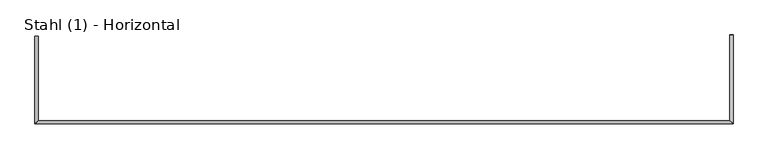
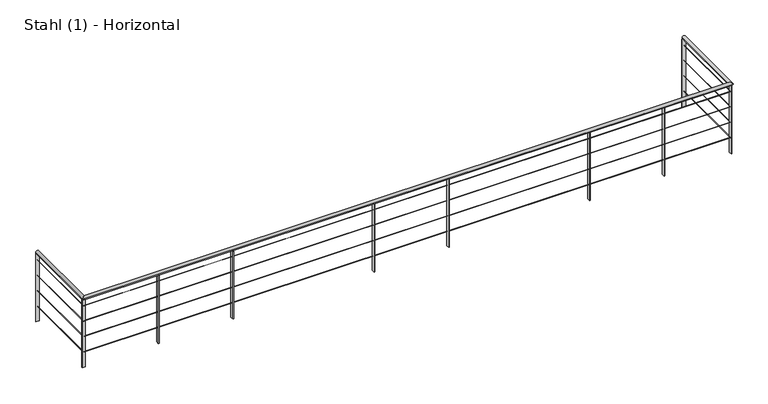
"""IFC4 building model written with IfcOpenShell, lengths in millimetres: railing geometry, Stahl (1) - Horizontal."""

from ifc_helpers import new_model, si_unit, frame, origin, place, context, project, spatial, polyline, circle_curve, ellipse_curve, outline, extrude, source, transform, mapped, element, save
from ifc_brep_helpers import plane_surface, cylinder_surface, advanced_brep


def stahl_1_horizontal_09ef8e6e(model_context):
    return source(origin(), model_context, "Body", "SolidModel", [
        advanced_brep(
        [(-2417.5285499, 4865.5303268, 4700.0), (-2377.5285499, 4865.5303268, 4700.0), (-2377.5285499, 3902.1677405, 4700.0), (-2417.5285499, 3862.1677405, 4700.0), (5540.3386135, 3902.1677405, 4700.0), (5580.3386135, 3862.1677405, 4700.0), (5580.3386135, 4878.6677406, 4700.0), (5540.3386135, 4878.6677406, 4700.0)],
        [
            (0, 1, circle_curve(frame((-2397.5285499, 4865.5303268, 4700.0), z_axis=(0.0, 1.0, 0.0), x_axis=(1.0, 0.0, 0.0)), 20.0)),
            (1, 0, circle_curve(frame((-2397.5285499, 4865.5303268, 4700.0), z_axis=(0.0, 1.0, 0.0), x_axis=(1.0, 0.0, 0.0)), 20.0)),
            (1, 2),
            (2, 3, ellipse_curve(frame((-2397.5285499, 3882.1677405, 4700.0), z_axis=(-0.7071067811865487, 0.7071067811865462, 0.0), x_axis=(0.7071067811865461, 0.7071067811865488, 0.0)), 28.2842712, 20.0)),
            (3, 0),
            (3, 2, ellipse_curve(frame((-2397.5285499, 3882.1677405, 4700.0), z_axis=(-0.7071067811865487, 0.7071067811865462, 0.0), x_axis=(0.7071067811865461, 0.7071067811865488, 0.0)), 28.2842712, 20.0)),
            (2, 4),
            (4, 5, ellipse_curve(frame((5560.3386135, 3882.1677405, 4700.0), z_axis=(-0.7071067811865462, -0.7071067811865487, 0.0), x_axis=(-0.7071067811865488, 0.7071067811865461, 0.0)), 28.2842712, 20.0)),
            (5, 3),
            (5, 4, ellipse_curve(frame((5560.3386135, 3882.1677405, 4700.0), z_axis=(-0.7071067811865462, -0.7071067811865487, 0.0), x_axis=(-0.7071067811865488, 0.7071067811865461, 0.0)), 28.2842712, 20.0)),
            (6, 7, circle_curve(frame((5560.3386135, 4878.6677406, 4700.0), z_axis=(0.0, 1.0, 0.0), x_axis=(-1.0, 0.0, 0.0)), 20.0)),
            (7, 6, circle_curve(frame((5560.3386135, 4878.6677406, 4700.0), z_axis=(0.0, 1.0, 0.0), x_axis=(-1.0, 0.0, 0.0)), 20.0)),
            (4, 7),
            (6, 5),
        ],
        [
            plane_surface(frame((-2397.5285499, 4865.5303268, 4720.0), z_axis=(0.0, 1.0, 0.0), x_axis=(0.0, 0.0, -1.0))),
            cylinder_surface(frame((-2397.5285499, 4865.5303268, 4700.0), z_axis=(0.0, 1.0, 0.0), x_axis=(1.0, 0.0, 0.0)), 20.0),
            cylinder_surface(frame((-2397.5285499, 3882.1677405, 4700.0), z_axis=(-1.0, 0.0, 0.0), x_axis=(0.0, 1.0, 0.0)), 20.0),
            plane_surface(frame((5560.3386135, 4878.6677406, 4720.0), z_axis=(0.0, 1.0, 0.0), x_axis=(0.0, 0.0, 1.0))),
            cylinder_surface(frame((5560.3386135, 3882.1677405, 4700.0), z_axis=(0.0, -1.0, 0.0), x_axis=(-1.0, 0.0, 0.0)), 20.0),
        ],
        [
            (0, [[1, 2]]),
            (1, [[-2, 3, 4, 5]]),
            (1, [[-1, -5, 6, -3]]),
            (2, [[-4, 7, 8, 9]]),
            (2, [[-6, -9, 10, -7]]),
            (3, [[11, 12]]),
            (4, [[-8, 13, -11, 14]]),
            (4, [[-10, -14, -12, -13]]),
        ],
    ),
        advanced_brep(
        [(-2399.0285499, 4865.5303268, 4598.5), (-2396.0285499, 4865.5303268, 4598.5), (-2396.0285499, 3883.6677405, 4598.5), (-2399.0285499, 3880.6677405, 4598.5), (5558.8386135, 3883.6677405, 4598.5), (5561.8386135, 3880.6677405, 4598.5), (5561.8386135, 4878.6677406, 4598.5), (5558.8386135, 4878.6677406, 4598.5)],
        [
            (0, 1, circle_curve(frame((-2397.5285499, 4865.5303268, 4598.5), z_axis=(0.0, 1.0, 0.0), x_axis=(1.0, 0.0, 0.0)), 1.5)),
            (1, 0, circle_curve(frame((-2397.5285499, 4865.5303268, 4598.5), z_axis=(0.0, 1.0, 0.0), x_axis=(1.0, 0.0, 0.0)), 1.5)),
            (1, 2),
            (2, 3, ellipse_curve(frame((-2397.5285499, 3882.1677405, 4598.5), z_axis=(-0.7071067811865487, 0.7071067811865462, 0.0), x_axis=(0.7071067811865461, 0.7071067811865488, 0.0)), 2.1213203, 1.5)),
            (3, 0),
            (3, 2, ellipse_curve(frame((-2397.5285499, 3882.1677405, 4598.5), z_axis=(-0.7071067811865487, 0.7071067811865462, 0.0), x_axis=(0.7071067811865461, 0.7071067811865488, 0.0)), 2.1213203, 1.5)),
            (2, 4),
            (4, 5, ellipse_curve(frame((5560.3386135, 3882.1677405, 4598.5), z_axis=(-0.7071067811865462, -0.7071067811865487, 0.0), x_axis=(-0.7071067811865488, 0.7071067811865461, 0.0)), 2.1213203, 1.5)),
            (5, 3),
            (5, 4, ellipse_curve(frame((5560.3386135, 3882.1677405, 4598.5), z_axis=(-0.7071067811865462, -0.7071067811865487, 0.0), x_axis=(-0.7071067811865488, 0.7071067811865461, 0.0)), 2.1213203, 1.5)),
            (6, 7, circle_curve(frame((5560.3386135, 4878.6677406, 4598.5), z_axis=(0.0, 1.0, 0.0), x_axis=(-1.0, 0.0, 0.0)), 1.5)),
            (7, 6, circle_curve(frame((5560.3386135, 4878.6677406, 4598.5), z_axis=(0.0, 1.0, 0.0), x_axis=(-1.0, 0.0, 0.0)), 1.5)),
            (4, 7),
            (6, 5),
        ],
        [
            plane_surface(frame((-2397.5285499, 4865.5303268, 4600.0), z_axis=(0.0, 1.0, 0.0), x_axis=(0.0, 0.0, -1.0))),
            cylinder_surface(frame((-2397.5285499, 4865.5303268, 4598.5), z_axis=(0.0, 1.0, 0.0), x_axis=(1.0, 0.0, 0.0)), 1.5),
            cylinder_surface(frame((-2397.5285499, 3882.1677405, 4598.5), z_axis=(-1.0, 0.0, 0.0), x_axis=(0.0, 1.0, 0.0)), 1.5),
            plane_surface(frame((5560.3386135, 4878.6677406, 4600.0), z_axis=(0.0, 1.0, 0.0), x_axis=(0.0, 0.0, 1.0))),
            cylinder_surface(frame((5560.3386135, 3882.1677405, 4598.5), z_axis=(0.0, -1.0, 0.0), x_axis=(-1.0, 0.0, 0.0)), 1.5),
        ],
        [
            (0, [[1, 2]]),
            (1, [[-2, 3, 4, 5]]),
            (1, [[-1, -5, 6, -3]]),
            (2, [[-4, 7, 8, 9]]),
            (2, [[-6, -9, 10, -7]]),
            (3, [[11, 12]]),
            (4, [[-8, 13, -11, 14]]),
            (4, [[-10, -14, -12, -13]]),
        ],
    ),
        advanced_brep(
        [(-2399.0285499, 4865.5303268, 4398.5), (-2396.0285499, 4865.5303268, 4398.5), (-2396.0285499, 3883.6677405, 4398.5), (-2399.0285499, 3880.6677405, 4398.5), (5558.8386135, 3883.6677405, 4398.5), (5561.8386135, 3880.6677405, 4398.5), (5561.8386135, 4878.6677406, 4398.5), (5558.8386135, 4878.6677406, 4398.5)],
        [
            (0, 1, circle_curve(frame((-2397.5285499, 4865.5303268, 4398.5), z_axis=(0.0, 1.0, 0.0), x_axis=(1.0, 0.0, 0.0)), 1.5)),
            (1, 0, circle_curve(frame((-2397.5285499, 4865.5303268, 4398.5), z_axis=(0.0, 1.0, 0.0), x_axis=(1.0, 0.0, 0.0)), 1.5)),
            (1, 2),
            (2, 3, ellipse_curve(frame((-2397.5285499, 3882.1677405, 4398.5), z_axis=(-0.7071067811865487, 0.7071067811865462, 0.0), x_axis=(0.7071067811865461, 0.7071067811865488, 0.0)), 2.1213203, 1.5)),
            (3, 0),
            (3, 2, ellipse_curve(frame((-2397.5285499, 3882.1677405, 4398.5), z_axis=(-0.7071067811865487, 0.7071067811865462, 0.0), x_axis=(0.7071067811865461, 0.7071067811865488, 0.0)), 2.1213203, 1.5)),
            (2, 4),
            (4, 5, ellipse_curve(frame((5560.3386135, 3882.1677405, 4398.5), z_axis=(-0.7071067811865462, -0.7071067811865487, 0.0), x_axis=(-0.7071067811865488, 0.7071067811865461, 0.0)), 2.1213203, 1.5)),
            (5, 3),
            (5, 4, ellipse_curve(frame((5560.3386135, 3882.1677405, 4398.5), z_axis=(-0.7071067811865462, -0.7071067811865487, 0.0), x_axis=(-0.7071067811865488, 0.7071067811865461, 0.0)), 2.1213203, 1.5)),
            (6, 7, circle_curve(frame((5560.3386135, 4878.6677406, 4398.5), z_axis=(0.0, 1.0, 0.0), x_axis=(-1.0, 0.0, 0.0)), 1.5)),
            (7, 6, circle_curve(frame((5560.3386135, 4878.6677406, 4398.5), z_axis=(0.0, 1.0, 0.0), x_axis=(-1.0, 0.0, 0.0)), 1.5)),
            (4, 7),
            (6, 5),
        ],
        [
            plane_surface(frame((-2397.5285499, 4865.5303268, 4400.0), z_axis=(0.0, 1.0, 0.0), x_axis=(0.0, 0.0, -1.0))),
            cylinder_surface(frame((-2397.5285499, 4865.5303268, 4398.5), z_axis=(0.0, 1.0, 0.0), x_axis=(1.0, 0.0, 0.0)), 1.5),
            cylinder_surface(frame((-2397.5285499, 3882.1677405, 4398.5), z_axis=(-1.0, 0.0, 0.0), x_axis=(0.0, 1.0, 0.0)), 1.5),
            plane_surface(frame((5560.3386135, 4878.6677406, 4400.0), z_axis=(0.0, 1.0, 0.0), x_axis=(0.0, 0.0, 1.0))),
            cylinder_surface(frame((5560.3386135, 3882.1677405, 4398.5), z_axis=(0.0, -1.0, 0.0), x_axis=(-1.0, 0.0, 0.0)), 1.5),
        ],
        [
            (0, [[1, 2]]),
            (1, [[-2, 3, 4, 5]]),
            (1, [[-1, -5, 6, -3]]),
            (2, [[-4, 7, 8, 9]]),
            (2, [[-6, -9, 10, -7]]),
            (3, [[11, 12]]),
            (4, [[-8, 13, -11, 14]]),
            (4, [[-10, -14, -12, -13]]),
        ],
    ),
        advanced_brep(
        [(-2399.0285499, 4865.5303268, 4198.5), (-2396.0285499, 4865.5303268, 4198.5), (-2396.0285499, 3883.6677405, 4198.5), (-2399.0285499, 3880.6677405, 4198.5), (5558.8386135, 3883.6677405, 4198.5), (5561.8386135, 3880.6677405, 4198.5), (5561.8386135, 4878.6677406, 4198.5), (5558.8386135, 4878.6677406, 4198.5)],
        [
            (0, 1, circle_curve(frame((-2397.5285499, 4865.5303268, 4198.5), z_axis=(0.0, 1.0, 0.0), x_axis=(1.0, 0.0, 0.0)), 1.5)),
            (1, 0, circle_curve(frame((-2397.5285499, 4865.5303268, 4198.5), z_axis=(0.0, 1.0, 0.0), x_axis=(1.0, 0.0, 0.0)), 1.5)),
            (1, 2),
            (2, 3, ellipse_curve(frame((-2397.5285499, 3882.1677405, 4198.5), z_axis=(-0.7071067811865487, 0.7071067811865462, 0.0), x_axis=(0.7071067811865461, 0.7071067811865488, 0.0)), 2.1213203, 1.5)),
            (3, 0),
            (3, 2, ellipse_curve(frame((-2397.5285499, 3882.1677405, 4198.5), z_axis=(-0.7071067811865487, 0.7071067811865462, 0.0), x_axis=(0.7071067811865461, 0.7071067811865488, 0.0)), 2.1213203, 1.5)),
            (2, 4),
            (4, 5, ellipse_curve(frame((5560.3386135, 3882.1677405, 4198.5), z_axis=(-0.7071067811865462, -0.7071067811865487, 0.0), x_axis=(-0.7071067811865488, 0.7071067811865461, 0.0)), 2.1213203, 1.5)),
            (5, 3),
            (5, 4, ellipse_curve(frame((5560.3386135, 3882.1677405, 4198.5), z_axis=(-0.7071067811865462, -0.7071067811865487, 0.0), x_axis=(-0.7071067811865488, 0.7071067811865461, 0.0)), 2.1213203, 1.5)),
            (6, 7, circle_curve(frame((5560.3386135, 4878.6677406, 4198.5), z_axis=(0.0, 1.0, 0.0), x_axis=(-1.0, 0.0, 0.0)), 1.5)),
            (7, 6, circle_curve(frame((5560.3386135, 4878.6677406, 4198.5), z_axis=(0.0, 1.0, 0.0), x_axis=(-1.0, 0.0, 0.0)), 1.5)),
            (4, 7),
            (6, 5),
        ],
        [
            plane_surface(frame((-2397.5285499, 4865.5303268, 4200.0), z_axis=(0.0, 1.0, 0.0), x_axis=(0.0, 0.0, -1.0))),
            cylinder_surface(frame((-2397.5285499, 4865.5303268, 4198.5), z_axis=(0.0, 1.0, 0.0), x_axis=(1.0, 0.0, 0.0)), 1.5),
            cylinder_surface(frame((-2397.5285499, 3882.1677405, 4198.5), z_axis=(-1.0, 0.0, 0.0), x_axis=(0.0, 1.0, 0.0)), 1.5),
            plane_surface(frame((5560.3386135, 4878.6677406, 4200.0), z_axis=(0.0, 1.0, 0.0), x_axis=(0.0, 0.0, 1.0))),
            cylinder_surface(frame((5560.3386135, 3882.1677405, 4198.5), z_axis=(0.0, -1.0, 0.0), x_axis=(-1.0, 0.0, 0.0)), 1.5),
        ],
        [
            (0, [[1, 2]]),
            (1, [[-2, 3, 4, 5]]),
            (1, [[-1, -5, 6, -3]]),
            (2, [[-4, 7, 8, 9]]),
            (2, [[-6, -9, 10, -7]]),
            (3, [[11, 12]]),
            (4, [[-8, 13, -11, 14]]),
            (4, [[-10, -14, -12, -13]]),
        ],
    ),
        advanced_brep(
        [(-2399.0285499, 4865.5303268, 3998.5), (-2396.0285499, 4865.5303268, 3998.5), (-2396.0285499, 3883.6677405, 3998.5), (-2399.0285499, 3880.6677405, 3998.5), (5558.8386135, 3883.6677405, 3998.5), (5561.8386135, 3880.6677405, 3998.5), (5561.8386135, 4878.6677406, 3998.5), (5558.8386135, 4878.6677406, 3998.5)],
        [
            (0, 1, circle_curve(frame((-2397.5285499, 4865.5303268, 3998.5), z_axis=(0.0, 1.0, 0.0), x_axis=(1.0, 0.0, 0.0)), 1.5)),
            (1, 0, circle_curve(frame((-2397.5285499, 4865.5303268, 3998.5), z_axis=(0.0, 1.0, 0.0), x_axis=(1.0, 0.0, 0.0)), 1.5)),
            (1, 2),
            (2, 3, ellipse_curve(frame((-2397.5285499, 3882.1677405, 3998.5), z_axis=(-0.7071067811865487, 0.7071067811865462, 0.0), x_axis=(0.7071067811865461, 0.7071067811865488, 0.0)), 2.1213203, 1.5)),
            (3, 0),
            (3, 2, ellipse_curve(frame((-2397.5285499, 3882.1677405, 3998.5), z_axis=(-0.7071067811865487, 0.7071067811865462, 0.0), x_axis=(0.7071067811865461, 0.7071067811865488, 0.0)), 2.1213203, 1.5)),
            (2, 4),
            (4, 5, ellipse_curve(frame((5560.3386135, 3882.1677405, 3998.5), z_axis=(-0.7071067811865462, -0.7071067811865487, 0.0), x_axis=(-0.7071067811865488, 0.7071067811865461, 0.0)), 2.1213203, 1.5)),
            (5, 3),
            (5, 4, ellipse_curve(frame((5560.3386135, 3882.1677405, 3998.5), z_axis=(-0.7071067811865462, -0.7071067811865487, 0.0), x_axis=(-0.7071067811865488, 0.7071067811865461, 0.0)), 2.1213203, 1.5)),
            (6, 7, circle_curve(frame((5560.3386135, 4878.6677406, 3998.5), z_axis=(0.0, 1.0, 0.0), x_axis=(-1.0, 0.0, 0.0)), 1.5)),
            (7, 6, circle_curve(frame((5560.3386135, 4878.6677406, 3998.5), z_axis=(0.0, 1.0, 0.0), x_axis=(-1.0, 0.0, 0.0)), 1.5)),
            (4, 7),
            (6, 5),
        ],
        [
            plane_surface(frame((-2397.5285499, 4865.5303268, 4000.0), z_axis=(0.0, 1.0, 0.0), x_axis=(0.0, 0.0, -1.0))),
            cylinder_surface(frame((-2397.5285499, 4865.5303268, 3998.5), z_axis=(0.0, 1.0, 0.0), x_axis=(1.0, 0.0, 0.0)), 1.5),
            cylinder_surface(frame((-2397.5285499, 3882.1677405, 3998.5), z_axis=(-1.0, 0.0, 0.0), x_axis=(0.0, 1.0, 0.0)), 1.5),
            plane_surface(frame((5560.3386135, 4878.6677406, 4000.0), z_axis=(0.0, 1.0, 0.0), x_axis=(0.0, 0.0, 1.0))),
            cylinder_surface(frame((5560.3386135, 3882.1677405, 3998.5), z_axis=(0.0, -1.0, 0.0), x_axis=(-1.0, 0.0, 0.0)), 1.5),
        ],
        [
            (0, [[1, 2]]),
            (1, [[-2, 3, 4, 5]]),
            (1, [[-1, -5, 6, -3]]),
            (2, [[-4, 7, 8, 9]]),
            (2, [[-6, -9, 10, -7]]),
            (3, [[11, 12]]),
            (4, [[-8, 13, -11, 14]]),
            (4, [[-10, -14, -12, -13]]),
        ],
    ),
        extrude(outline(polyline([(4733.1109759, 3902.1677405), (4741.1109759, 3902.1677405), (4741.1109759, 3862.1677405), (4733.1109759, 3862.1677405), (4733.1109759, 3902.1677405)])), frame((0.0, 0.0, 3800.0), z_axis=(0.0, 0.0, 1.0), x_axis=(1.0, 0.0, 0.0)), (0.0, 0.0, 1.0), 880.0),
        extrude(outline(polyline([(3818.4136008, 3902.1677405), (3826.4136008, 3902.1677405), (3826.4136008, 3862.1677405), (3818.4136008, 3862.1677405), (3818.4136008, 3902.1677405)])), frame((0.0, 0.0, 3800.0), z_axis=(0.0, 0.0, 1.0), x_axis=(1.0, 0.0, 0.0)), (0.0, 0.0, 1.0), 880.0),
        extrude(outline(polyline([(2080.4885881, 3902.1677405), (2088.4885881, 3902.1677405), (2088.4885881, 3862.1677405), (2080.4885881, 3862.1677405), (2080.4885881, 3902.1677405)])), frame((0.0, 0.0, 3800.0), z_axis=(0.0, 0.0, 1.0), x_axis=(1.0, 0.0, 0.0)), (0.0, 0.0, 1.0), 880.0),
        extrude(outline(polyline([(1165.791213, 3902.1677405), (1173.791213, 3902.1677405), (1173.791213, 3862.1677405), (1165.791213, 3862.1677405), (1165.791213, 3902.1677405)])), frame((0.0, 0.0, 3800.0), z_axis=(0.0, 0.0, 1.0), x_axis=(1.0, 0.0, 0.0)), (0.0, 0.0, 1.0), 880.0),
        extrude(outline(polyline([(-572.1337997, 3902.1677405), (-564.1337997, 3902.1677405), (-564.1337997, 3862.1677405), (-572.1337997, 3862.1677405), (-572.1337997, 3902.1677405)])), frame((0.0, 0.0, 3800.0), z_axis=(0.0, 0.0, 1.0), x_axis=(1.0, 0.0, 0.0)), (0.0, 0.0, 1.0), 880.0),
        extrude(outline(polyline([(-1486.8311748, 3902.1677405), (-1478.8311748, 3902.1677405), (-1478.8311748, 3862.1677405), (-1486.8311748, 3862.1677405), (-1486.8311748, 3902.1677405)])), frame((0.0, 0.0, 3800.0), z_axis=(0.0, 0.0, 1.0), x_axis=(1.0, 0.0, 0.0)), (0.0, 0.0, 1.0), 880.0),
        extrude(outline(polyline([(5556.3386135, 3902.1677405), (5564.3386135, 3902.1677405), (5564.3386135, 3862.1677405), (5556.3386135, 3862.1677405), (5556.3386135, 3902.1677405)])), frame((0.0, 0.0, 3800.0), z_axis=(0.0, 0.0, 1.0), x_axis=(1.0, 0.0, 0.0)), (0.0, 0.0, 1.0), 880.0),
        extrude(outline(polyline([(-2377.5285499, 3886.1677405), (-2377.5285499, 3878.1677405), (-2417.5285499, 3878.1677405), (-2417.5285499, 3886.1677405), (-2377.5285499, 3886.1677405)])), frame((0.0, 0.0, 3800.0), z_axis=(0.0, 0.0, 1.0), x_axis=(1.0, 0.0, 0.0)), (0.0, 0.0, 1.0), 880.0),
        extrude(outline(polyline([(5540.3386135, 4874.6677406), (5540.3386135, 4882.6677406), (5580.3386135, 4882.6677406), (5580.3386135, 4874.6677406), (5540.3386135, 4874.6677406)])), frame((0.0, 0.0, 3800.0), z_axis=(0.0, 0.0, 1.0), x_axis=(1.0, 0.0, 0.0)), (0.0, 0.0, 1.0), 880.0),
        extrude(outline(polyline([(-2377.5285499, 4869.5303268), (-2377.5285499, 4861.5303268), (-2417.5285499, 4861.5303268), (-2417.5285499, 4869.5303268), (-2377.5285499, 4869.5303268)])), frame((0.0, 0.0, 3800.0), z_axis=(0.0, 0.0, 1.0), x_axis=(1.0, 0.0, 0.0)), (0.0, 0.0, 1.0), 880.0),
    ])


if __name__ == "__main__":
    model = new_model("IFC4")
    model_context = context("Model", 3, world=origin())
    ifc_project = project(units=[si_unit("LENGTHUNIT", "METRE", prefix="MILLI")], contexts=[model_context])
    site = spatial("IfcSite", under=ifc_project)
    building = spatial("IfcBuilding", under=site)
    placement = place(None, origin())
    stahl_1_horizontal_shape = stahl_1_horizontal_09ef8e6e(model_context)
    element("IfcRailing", 1, ObjectType="Stahl (1) - Horizontal", at=placement, inside=building, context=model_context, shape_type="MappedRepresentation", body=[
        mapped(stahl_1_horizontal_shape, transform((0.0, 0.0, 0.0), x_axis=(1.0, 0.0, 0.0), y_axis=(0.0, 1.0, 0.0), z_axis=(0.0, 0.0, 1.0))),
    ])
    save(model, "model.ifc")
